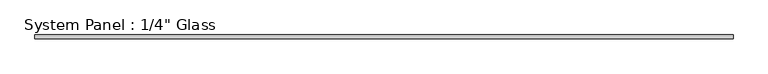
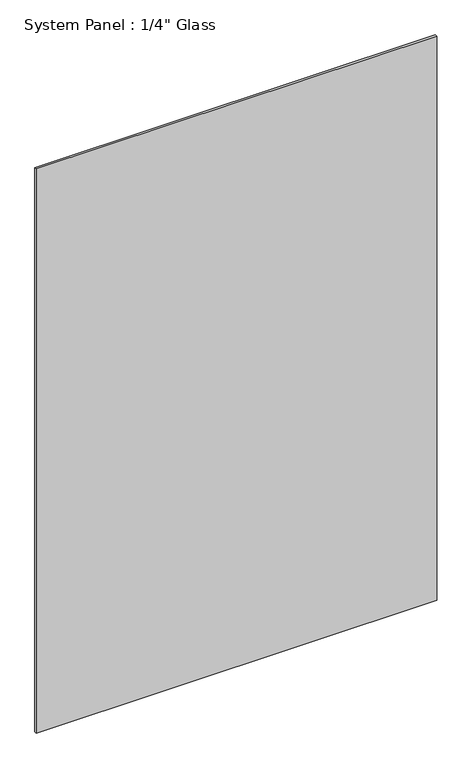
"""IFC4 building model written with IfcOpenShell, lengths in millimetres: plate geometry."""

from ifc_helpers import new_model, si_unit, origin, origin_with_axes, place, context, project, spatial, polyline, outline, extrude, source, transform, mapped, element, save


def plate_e3171273(model_context):
    return source(origin(), model_context, "Body", "SweptSolid", [
        extrude(outline(polyline([(583.9224049, -3.175), (-583.9224049, -3.175), (-583.9224049, 3.175), (583.9224049, 3.175), (583.9224049, -3.175)])), origin_with_axes(), (0.0, 0.0, 1.0), 1739.9),
    ])


if __name__ == "__main__":
    model = new_model("IFC4")
    model_context = context("Model", 3, world=origin())
    ifc_project = project(units=[si_unit("LENGTHUNIT", "METRE", prefix="MILLI")], contexts=[model_context])
    site = spatial("IfcSite", under=ifc_project)
    building = spatial("IfcBuilding", under=site)
    placement = place(None, origin())
    plate_shape = plate_e3171273(model_context)
    element("IfcPlate", 1, ObjectType="System Panel : 1/4\" Glass", at=placement, inside=building, context=model_context, shape_type="MappedRepresentation", body=[
        mapped(plate_shape, transform((0.0, 0.0, 0.0), x_axis=(1.0, 0.0, 0.0), y_axis=(0.0, 1.0, 0.0), z_axis=(0.0, 0.0, 1.0))),
    ])
    save(model, "model.ifc")
